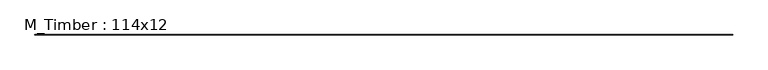
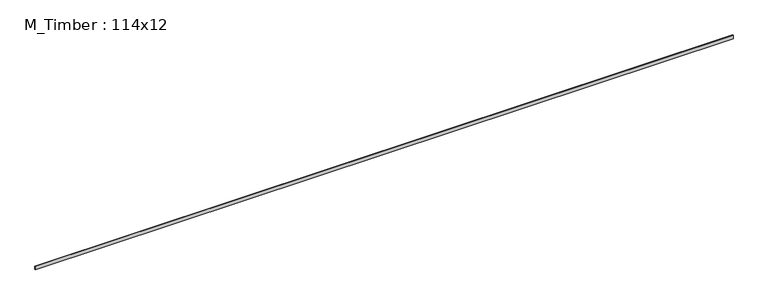
"""IFC4 building model written with IfcOpenShell, lengths in millimetres: beam geometry, M_Timber : 114x12."""

from ifc_helpers import new_model, si_unit, frame, origin, place, context, project, spatial, polyline, outline, extrude, source, transform, mapped, element, save


def m_timber_114x12_8c184058(model_context):
    return source(origin(), model_context, "Body", "SweptSolid", [
        extrude(outline(polyline([(10977.1219703, 6.0), (10977.1219703, -6.0), (-11103.1219703, -6.0), (-11103.1219703, 6.0), (10977.1219703, 6.0)])), frame((0.0, 0.0, -57.0), z_axis=(0.0, 0.0, 1.0), x_axis=(1.0, 0.0, 0.0)), (0.0, 0.0, 1.0), 114.0),
    ])


if __name__ == "__main__":
    model = new_model("IFC4")
    model_context = context("Model", 3, world=origin())
    ifc_project = project(units=[si_unit("LENGTHUNIT", "METRE", prefix="MILLI")], contexts=[model_context])
    site = spatial("IfcSite", under=ifc_project)
    building = spatial("IfcBuilding", under=site)
    placement = place(None, origin())
    m_timber_114x12_shape = m_timber_114x12_8c184058(model_context)
    element("IfcBeam", 1, ObjectType="M_Timber : 114x12", at=placement, inside=building, context=model_context, shape_type="MappedRepresentation", body=[
        mapped(m_timber_114x12_shape, transform((0.0, 0.0, 0.0), x_axis=(1.0, 0.0, 0.0), y_axis=(0.0, 1.0, 0.0), z_axis=(0.0, 0.0, 1.0))),
    ])
    save(model, "model.ifc")
